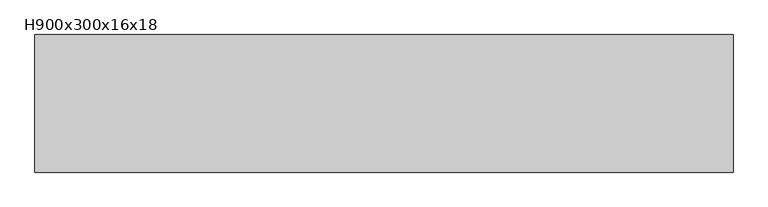
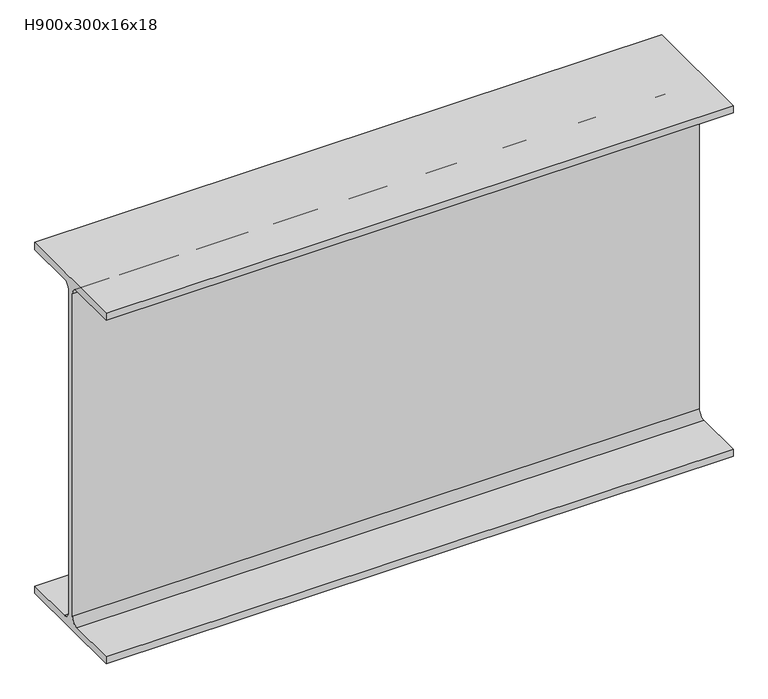
"""IFC4 building model written with IfcOpenShell, lengths in millimetres: beam geometry, H900x300x16x18."""

import ifcopenshell
import ifcopenshell.guid

model = None  # the IFC model being written
_history = None  # IfcOwnerHistory: only IFC2X3 demands one
_inside = {}  # id of a spatial element -> (the spatial element, [elements in it])
_under = {}  # id of a project, library or spatial element -> (it, [spatial elements below it])
_declared = {}  # id of a project -> (the project, [libraries it declares])
_typed = {}  # id of a type object -> (the type object, [elements of that type])
_made_of = {}  # id of a material, layer set ... -> (it, [elements and type objects made of it])


def new_model(schema):
    """Start an empty IFC model of exactly this schema.

    Asked for "IFC4X3", IfcOpenShell would pick the latest addendum, in which some entities
    have other attributes; the version numbers below select the first issue.
    IFC2X3 requires an IfcOwnerHistory on every rooted entity: one is made here for all.
    """
    global model, _history
    if schema == "IFC4X3":
        model = ifcopenshell.file(schema_version=(4, 3, 0, 0))
    else:
        model = ifcopenshell.file(schema=schema)
    _inside.clear()
    _under.clear()
    _declared.clear()
    _typed.clear()
    _made_of.clear()
    _history = None
    if model.schema == "IFC2X3":
        org = make("IfcOrganization", Name="unknown")
        user = make(
            "IfcPersonAndOrganization",
            ThePerson=make("IfcPerson", FamilyName="unknown"),
            TheOrganization=org,
        )
        app = make(
            "IfcApplication",
            ApplicationDeveloper=org,
            Version="unknown",
            ApplicationFullName="unknown",
            ApplicationIdentifier="unknown",
        )
        _history = make(
            "IfcOwnerHistory",
            OwningUser=user,
            OwningApplication=app,
            ChangeAction="ADDED",
            CreationDate=0,
        )
    return model


def make(cls, **values):
    """One entity of the class cls with the attributes given. An attribute that is None is left unset."""
    return model.create_entity(
        cls, **{name: value for name, value in values.items() if value is not None}
    )


def rooted(cls, **values):
    """An entity with a GlobalId (a new one), such as an element, a storey or a relation."""
    return make(cls, GlobalId=ifcopenshell.guid.new(), OwnerHistory=_history, **values)


def si_unit(unit_type, name, prefix=None):
    """IfcSIUnit, for example si_unit("LENGTHUNIT", "METRE", prefix="MILLI")."""
    return make("IfcSIUnit", UnitType=unit_type, Prefix=prefix, Name=name)


def assignment(units):
    """IfcUnitAssignment: the units of a project."""
    return None if units is None else make("IfcUnitAssignment", Units=units)


def point(xyz):
    """IfcCartesianPoint."""
    return None if xyz is None else make("IfcCartesianPoint", Coordinates=xyz)


def direction(xyz):
    """IfcDirection."""
    return None if xyz is None else make("IfcDirection", DirectionRatios=xyz)


def frame(location, z_axis=None, x_axis=None):
    """IfcAxis2Placement3D, a coordinate frame: its origin and axes. An axis left out is left unset."""
    return make(
        "IfcAxis2Placement3D",
        Location=point(location),
        Axis=direction(z_axis),
        RefDirection=direction(x_axis),
    )


def frame_2d(location, x_axis=None):
    """IfcAxis2Placement2D, a coordinate frame in the plane: its origin and x axis."""
    return make(
        "IfcAxis2Placement2D", Location=point(location), RefDirection=direction(x_axis)
    )


def origin():
    """The frame at (0, 0, 0) with its axes left unset."""
    return frame((0.0, 0.0, 0.0))


def place(relative_to, where):
    """IfcLocalPlacement: puts the frame where relative to a parent placement (None: the world)."""
    return make(
        "IfcLocalPlacement", PlacementRelTo=relative_to, RelativePlacement=where
    )


def context(
    kind, dimensions, precision=None, world=None, true_north=None, identifier=None
):
    """IfcGeometricRepresentationContext, for example the 3D "Model" context."""
    return make(
        "IfcGeometricRepresentationContext",
        ContextIdentifier=identifier,
        ContextType=kind,
        CoordinateSpaceDimension=dimensions,
        Precision=precision,
        WorldCoordinateSystem=world,
        TrueNorth=true_north,
    )


def project(units=None, contexts=None):
    """IfcProject with its units and contexts."""
    return rooted(
        "IfcProject",
        Name="project",
        RepresentationContexts=contexts,
        UnitsInContext=assignment(units),
    )


def spatial(cls, under=None, at=None, **own):
    """A site, building, storey or space (cls), placed at a placement, below another one or the project."""
    s = rooted(cls, ObjectPlacement=at, **own)
    if under is not None:
        _under.setdefault(under.id(), (under, []))[1].append(s)
    return s


def polyline(points):
    """IfcPolyline through the points."""
    return make("IfcPolyline", Points=[point(p) for p in points])


def circle_curve(where, radius):
    """IfcCircle in the frame where."""
    return make("IfcCircle", Position=where, Radius=radius)


def trimmed(basis, trim1, trim2, sense, master):
    """IfcTrimmedCurve: the piece of a basis curve between two trims."""
    return make(
        "IfcTrimmedCurve",
        BasisCurve=basis,
        Trim1=trim1,
        Trim2=trim2,
        SenseAgreement=sense,
        MasterRepresentation=master,
    )


def segment(curve, same_sense, transition):
    """IfcCompositeCurveSegment."""
    return make(
        "IfcCompositeCurveSegment",
        Transition=transition,
        SameSense=same_sense,
        ParentCurve=curve,
    )


def composite_curve(segments, self_intersect=None):
    """IfcCompositeCurve: segments joined end to end."""
    return make("IfcCompositeCurve", Segments=segments, SelfIntersect=self_intersect)


def outline(outer, holes=None, kind="AREA"):
    """IfcArbitraryClosedProfileDef: a profile drawn as a closed curve; with holes, ...WithVoids."""
    if holes is None:
        return make("IfcArbitraryClosedProfileDef", ProfileType=kind, OuterCurve=outer)
    return make(
        "IfcArbitraryProfileDefWithVoids",
        ProfileType=kind,
        OuterCurve=outer,
        InnerCurves=holes,
    )


def extrude(swept, where, along, depth):
    """IfcExtrudedAreaSolid: the profile swept, set in the frame where, extruded along a direction by depth."""
    return make(
        "IfcExtrudedAreaSolid",
        SweptArea=swept,
        Position=where,
        ExtrudedDirection=direction(along),
        Depth=depth,
    )


def shape(context_of_items, identifier, shape_type, items):
    """IfcShapeRepresentation: the items that make up one representation, for example the "Body"."""
    return make(
        "IfcShapeRepresentation",
        ContextOfItems=context_of_items,
        RepresentationIdentifier=identifier,
        RepresentationType=shape_type,
        Items=items,
    )


def source(mapping_origin, context_of_items, identifier, shape_type, items):
    """IfcRepresentationMap: a shape defined once, which mapped items show again and again."""
    return make(
        "IfcRepresentationMap",
        MappingOrigin=mapping_origin,
        MappedRepresentation=shape(context_of_items, identifier, shape_type, items),
    )


def transform(
    local_origin,
    x_axis=None,
    y_axis=None,
    z_axis=None,
    scale=None,
    scale2=None,
    scale3=None,
    uniform=True,
):
    """IfcCartesianTransformationOperator3D, or its non-uniform kind. x_axis, y_axis, z_axis: its Axis1, 2, 3."""
    if uniform:
        return make(
            "IfcCartesianTransformationOperator3D",
            Axis1=direction(x_axis),
            Axis2=direction(y_axis),
            LocalOrigin=point(local_origin),
            Scale=scale,
            Axis3=direction(z_axis),
        )
    return make(
        "IfcCartesianTransformationOperator3DnonUniform",
        Axis1=direction(x_axis),
        Axis2=direction(y_axis),
        LocalOrigin=point(local_origin),
        Scale=scale,
        Axis3=direction(z_axis),
        Scale2=scale2,
        Scale3=scale3,
    )


def mapped(mapping_source, mapping_target):
    """IfcMappedItem: shows the shape of a source again, moved by a transform."""
    return make(
        "IfcMappedItem", MappingSource=mapping_source, MappingTarget=mapping_target
    )


def made_of(thing, what):
    """Note that an element or type object is made of a material, layer set ...; save() writes the relation."""
    if what is not None:
        _made_of.setdefault(what.id(), (what, []))[1].append(thing)
    return thing


def element(
    cls,
    number,
    at=None,
    inside=None,
    cuts=None,
    type_object=None,
    material=None,
    context=None,
    identifier="Body",
    shape_type=None,
    held_by="IfcProductDefinitionShape",
    body=None,
    shapes=None,
    **own,
):
    """One element of the class cls, such as IfcWall. Its Tag is "e" and its number.

    at: its placement. inside: the storey or other place that contains it. cuts: it is an
    opening in that element (IfcRelVoidsElement). A single representation is given by context,
    identifier, shape_type and body (its items); several are given by shapes. held_by: the class
    of the entity that holds the representations. save() writes the other relations.
    """
    e = rooted(cls, Tag="e%d" % number, ObjectPlacement=at, **own)
    if body is not None:
        shapes = [shape(context, identifier, shape_type, body)]
    if shapes is not None:
        e.Representation = make(held_by, Representations=shapes)
    if inside is not None:
        _inside.setdefault(inside.id(), (inside, []))[1].append(e)
    if cuts is not None:
        rooted(
            "IfcRelVoidsElement", RelatingBuildingElement=cuts, RelatedOpeningElement=e
        )
    if type_object is not None:
        _typed.setdefault(type_object.id(), (type_object, []))[1].append(e)
    return made_of(e, material)


def aggregate(whole, parts):
    """IfcRelAggregates: a whole, such as a stair, and the parts it consists of."""
    return rooted("IfcRelAggregates", RelatingObject=whole, RelatedObjects=parts)


def save(model, path):
    """Write the relations noted so far, then the file.

    IfcRelAggregates (storeys below a building ...), IfcRelContainedInSpatialStructure (elements
    in a storey), IfcRelDefinesByType, IfcRelAssociatesMaterial and IfcRelDeclares: one each for
    every whole, place, type object, material and project.
    """
    for whole, parts in _under.values():
        aggregate(whole, parts)
    for where, things in _inside.values():
        rooted(
            "IfcRelContainedInSpatialStructure",
            RelatedElements=things,
            RelatingStructure=where,
        )
    for kind, things in _typed.values():
        rooted("IfcRelDefinesByType", RelatedObjects=things, RelatingType=kind)
    for what, things in _made_of.values():
        rooted("IfcRelAssociatesMaterial", RelatedObjects=things, RelatingMaterial=what)
    for by, libraries in _declared.values():
        rooted("IfcRelDeclares", RelatingContext=by, RelatedDefinitions=libraries)
    model.write(path)


def h900x300x16x18_3e0f6db9(model_context):
    return source(origin(), model_context, "Body", "SweptSolid", [
        extrude(outline(composite_curve([segment(polyline([(150.0, -432.0), (150.0, -450.0), (-150.0, -450.0), (-150.0, -432.0), (-26.0, -432.0)]), True, "CONTINUOUS"), segment(trimmed(circle_curve(frame_2d((-26.0, -414.0)), 18.0), [point((-26.0, -432.0))], [point((-8.0, -414.0))], True, "CARTESIAN"), True, "CONTINUOUS"), segment(polyline([(-8.0, -414.0), (-8.0, 414.0)]), True, "CONTINUOUS"), segment(trimmed(circle_curve(frame_2d((-26.0, 414.0)), 18.0), [point((-8.0, 414.0))], [point((-26.0, 432.0))], True, "CARTESIAN"), True, "CONTINUOUS"), segment(polyline([(-26.0, 432.0), (-150.0, 432.0), (-150.0, 450.0), (150.0, 450.0), (150.0, 432.0), (26.0, 432.0)]), True, "CONTINUOUS"), segment(trimmed(circle_curve(frame_2d((26.0, 414.0)), 18.0), [point((26.0, 432.0))], [point((8.0, 414.0))], True, "CARTESIAN"), True, "CONTINUOUS"), segment(polyline([(8.0, 414.0), (8.0, -414.0)]), True, "CONTINUOUS"), segment(trimmed(circle_curve(frame_2d((26.0, -414.0)), 18.0), [point((8.0, -414.0))], [point((26.0, -432.0))], True, "CARTESIAN"), True, "CONTINUOUS"), segment(polyline([(26.0, -432.0), (150.0, -432.0)]), True, "CONTINUOUS")], self_intersect=False)), frame((-164.8084072, 0.0, 0.0), z_axis=(1.0, 0.0, 0.0), x_axis=(0.0, 1.0, 0.0)), (0.0, 0.0, 1.0), 1522.1106984),
    ])


if __name__ == "__main__":
    model = new_model("IFC4")
    model_context = context("Model", 3, world=origin())
    ifc_project = project(units=[si_unit("LENGTHUNIT", "METRE", prefix="MILLI")], contexts=[model_context])
    site = spatial("IfcSite", under=ifc_project)
    building = spatial("IfcBuilding", under=site)
    placement = place(None, origin())
    h900x300x16x18_shape = h900x300x16x18_3e0f6db9(model_context)
    element("IfcBeam", 1, ObjectType="H900x300x16x18", at=placement, inside=building, context=model_context, shape_type="MappedRepresentation", body=[
        mapped(h900x300x16x18_shape, transform((0.0, 0.0, 0.0), x_axis=(1.0, 0.0, 0.0), y_axis=(0.0, 1.0, 0.0), z_axis=(0.0, 0.0, 1.0))),
    ])
    save(model, "model.ifc")
